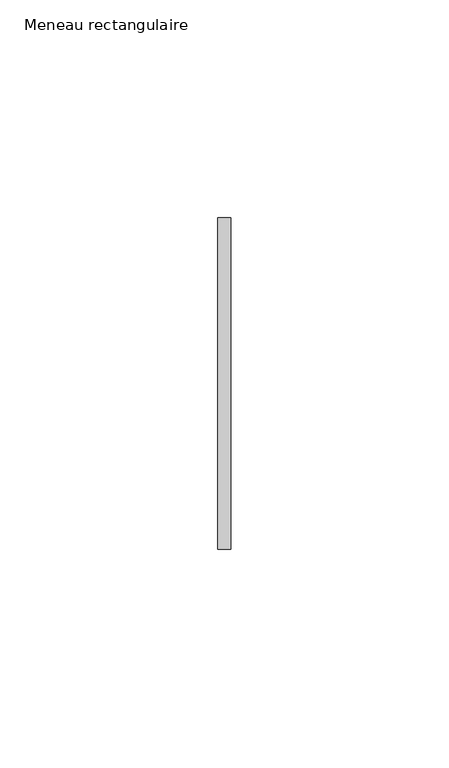
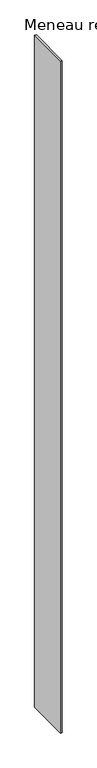
"""IFC4 building model written with IfcOpenShell, lengths in millimetres: member geometry, Meneau rectangulaire."""

from ifc_helpers import new_model, si_unit, frame, origin, place, context, project, spatial, polyline, outline, extrude, source, transform, mapped, element, save


def meneau_rectangulaire_4fbf73f7(model_context):
    return source(origin(), model_context, "Body", "SweptSolid", [
        extrude(outline(polyline([(-1.5, 38.0), (1.5, 38.0), (1.5, -38.0), (-1.5, -38.0), (-1.5, 38.0)])), frame((0.0, 0.0, -1208.2500002), z_axis=(0.0, 0.0, 1.0), x_axis=(1.0, 0.0, 0.0)), (0.0, 0.0, 1.0), 1208.2500002),
    ])


if __name__ == "__main__":
    model = new_model("IFC4")
    model_context = context("Model", 3, world=origin())
    ifc_project = project(units=[si_unit("LENGTHUNIT", "METRE", prefix="MILLI")], contexts=[model_context])
    site = spatial("IfcSite", under=ifc_project)
    building = spatial("IfcBuilding", under=site)
    placement = place(None, origin())
    meneau_rectangulaire_shape = meneau_rectangulaire_4fbf73f7(model_context)
    element("IfcMember", 1, ObjectType="Meneau rectangulaire", at=placement, inside=building, context=model_context, shape_type="MappedRepresentation", body=[
        mapped(meneau_rectangulaire_shape, transform((0.0, 0.0, 0.0), x_axis=(1.0, 0.0, 0.0), y_axis=(0.0, 1.0, 0.0), z_axis=(0.0, 0.0, 1.0))),
    ])
    save(model, "model.ifc")
